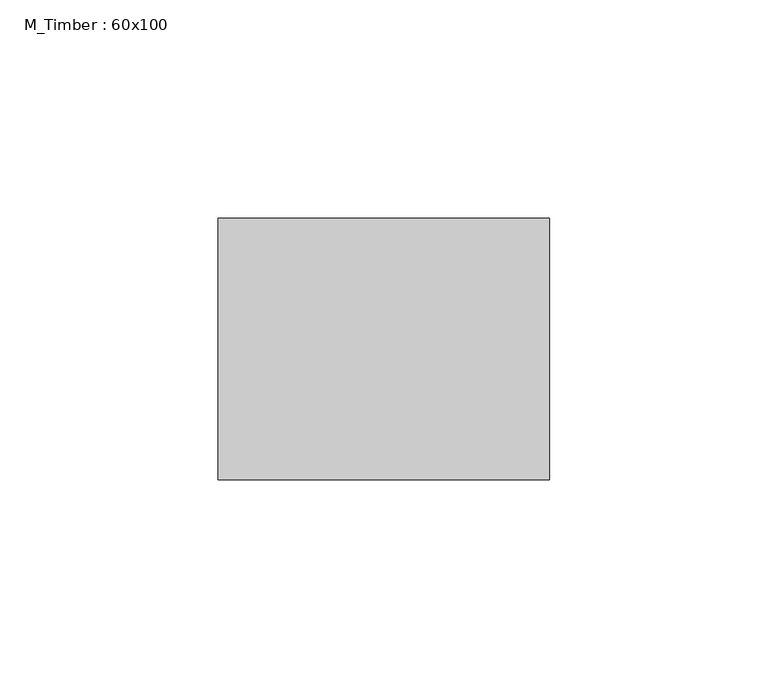
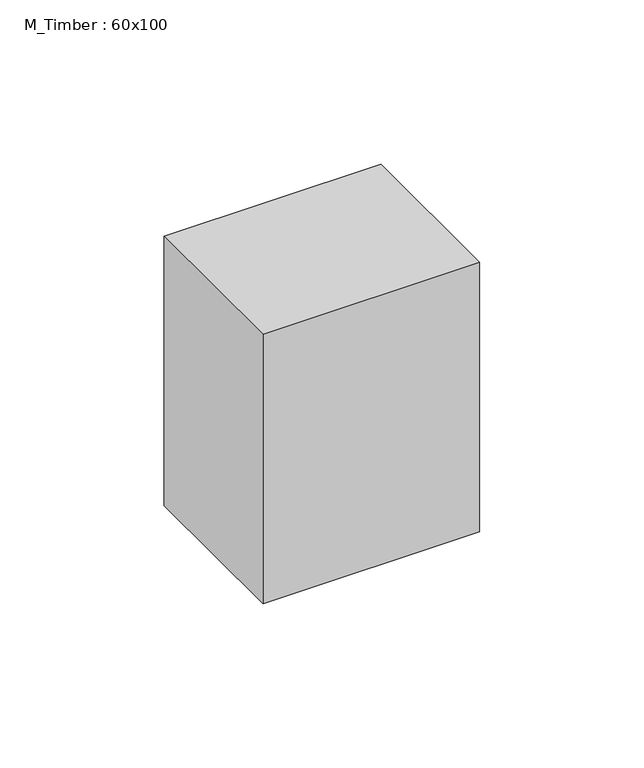
"""IFC4 building model written with IfcOpenShell, lengths in millimetres: beam geometry, M_Timber : 60x100."""

from ifc_helpers import new_model, si_unit, frame, origin, place, context, project, spatial, polyline, outline, extrude, source, transform, mapped, element, save


def m_timber_60x100_aa187ef9(model_context):
    return source(origin(), model_context, "Body", "SweptSolid", [
        extrude(outline(polyline([(38.0651162, 30.0), (38.0651162, -30.0), (-38.0651162, -30.0), (-38.0651162, 30.0), (38.0651162, 30.0)])), frame((0.0, 0.0, -50.0), z_axis=(0.0, 0.0, 1.0), x_axis=(1.0, 0.0, 0.0)), (0.0, 0.0, 1.0), 100.0),
    ])


if __name__ == "__main__":
    model = new_model("IFC4")
    model_context = context("Model", 3, world=origin())
    ifc_project = project(units=[si_unit("LENGTHUNIT", "METRE", prefix="MILLI")], contexts=[model_context])
    site = spatial("IfcSite", under=ifc_project)
    building = spatial("IfcBuilding", under=site)
    placement = place(None, origin())
    m_timber_60x100_shape = m_timber_60x100_aa187ef9(model_context)
    element("IfcBeam", 1, ObjectType="M_Timber : 60x100", at=placement, inside=building, context=model_context, shape_type="MappedRepresentation", body=[
        mapped(m_timber_60x100_shape, transform((0.0, 0.0, 0.0), x_axis=(1.0, 0.0, 0.0), y_axis=(0.0, 1.0, 0.0), z_axis=(0.0, 0.0, 1.0))),
    ])
    save(model, "model.ifc")
